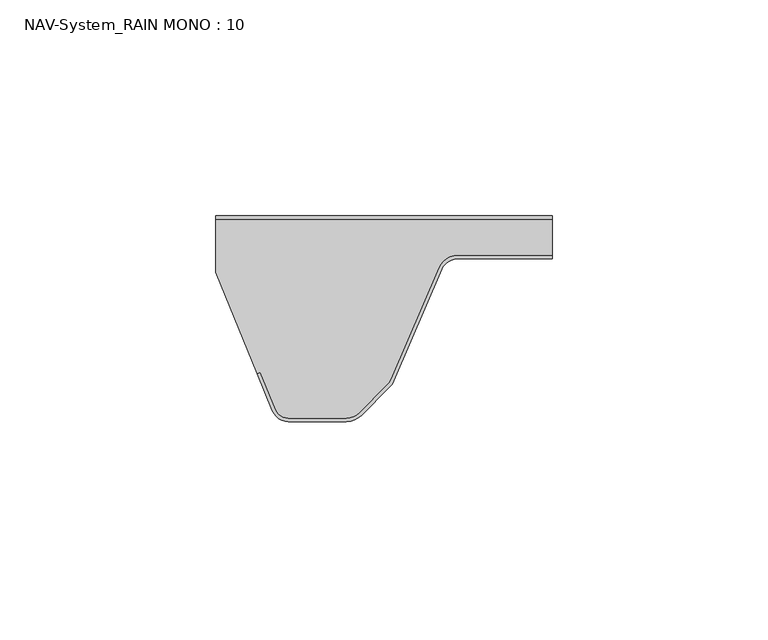
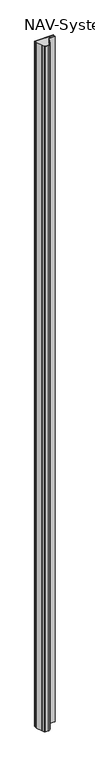
"""IFC4 building model written with IfcOpenShell, lengths in millimetres: plate geometry, NAV-System_RAIN MONO : 10."""

from ifc_helpers import new_model, si_unit, point, frame_2d, origin, origin_with_axes, place, context, project, spatial, polyline, circle_curve, trimmed, segment, composite_curve, outline, extrude, source, transform, mapped, element, save


def nav_system_rain_mono_10_e1600da2(model_context):
    return source(origin(), model_context, "Body", "SweptSolid", [
        extrude(outline(polyline([(-28.0, -0.8), (-28.0, 0.0), (50.0, 0.0), (50.0, -0.8), (-28.0, -0.8)])), origin_with_axes(), (0.0, 0.0, 1.0), 3000.0),
        extrude(outline(composite_curve([segment(trimmed(circle_curve(frame_2d((28.0709249, -14.0)), 4.8), [point((28.0709249, -9.2))], [point((23.6607271, -12.1052295))], True, "CARTESIAN"), True, "CONTINUOUS"), segment(polyline([(23.6607271, -12.1052295), (12.5754349, -37.9069459)]), True, "CONTINUOUS"), segment(trimmed(circle_curve(frame_2d((8.7165118, -36.2490217)), 4.2), [point((12.5754349, -37.9069459))], [point((11.6863603, -39.2188701))], False, "CARTESIAN"), True, "CONTINUOUS"), segment(polyline([(11.6863603, -39.2188701), (5.235382, -45.6698485)]), True, "CONTINUOUS"), segment(trimmed(circle_curve(frame_2d((2.2655335, -42.7)), 4.2), [point((5.235382, -45.6698485))], [point((2.2655335, -46.9))], False, "CARTESIAN"), True, "CONTINUOUS"), segment(polyline([(2.2655335, -46.9), (-11.1405186, -46.9)]), True, "CONTINUOUS"), segment(trimmed(circle_curve(frame_2d((-11.1405186, -43.7)), 3.2), [point((-11.1405186, -46.9))], [point((-14.1022482, -44.9116756))], False, "CARTESIAN"), True, "CONTINUOUS"), segment(polyline([(-14.1022482, -44.9116756), (-17.6292254, -36.2905951), (-18.3696578, -36.593514), (-28.0, -13.053822), (-28.0, -0.8), (50.0, -0.8), (50.0, -9.2), (28.0709249, -9.2)]), True, "CONTINUOUS")], self_intersect=False)), origin_with_axes(), (0.0, 0.0, 1.0), 3000.0),
        extrude(outline(composite_curve([segment(polyline([(-14.8430228, -45.2145945), (-18.37, -36.593514), (-17.6295676, -36.2905951), (-14.1025904, -44.9116756)]), True, "CONTINUOUS"), segment(trimmed(circle_curve(frame_2d((-11.1408608, -43.7)), 3.2), [point((-14.1025904, -44.9116756))], [point((-11.1408608, -46.9))], True, "CARTESIAN"), True, "CONTINUOUS"), segment(polyline([(-11.1408608, -46.9), (2.2651913, -46.9)]), True, "CONTINUOUS"), segment(trimmed(circle_curve(frame_2d((2.2651913, -42.7)), 4.2), [point((2.2651913, -46.9))], [point((5.2350397, -45.6698485))], True, "CARTESIAN"), True, "CONTINUOUS"), segment(polyline([(5.2350397, -45.6698485), (11.6860181, -39.2188701)]), True, "CONTINUOUS"), segment(trimmed(circle_curve(frame_2d((8.7161696, -36.2490217)), 4.2), [point((11.6860181, -39.2188701))], [point((12.5750927, -37.9069459))], True, "CARTESIAN"), True, "CONTINUOUS"), segment(polyline([(12.5750927, -37.9069459), (23.6603849, -12.1052295)]), True, "CONTINUOUS"), segment(trimmed(circle_curve(frame_2d((28.0705827, -14.0)), 4.8), [point((23.6603849, -12.1052295))], [point((28.0705827, -9.2))], False, "CARTESIAN"), True, "CONTINUOUS"), segment(polyline([(28.0705827, -9.2), (50.0, -9.2), (50.0, -10.0), (28.0705827, -10.0)]), True, "CONTINUOUS"), segment(trimmed(circle_curve(frame_2d((28.0705827, -14.0)), 4.0), [point((28.0705827, -10.0))], [point((24.3954178, -12.4210246))], True, "CARTESIAN"), True, "CONTINUOUS"), segment(polyline([(24.3954178, -12.4210246), (13.3101256, -38.2227409)]), True, "CONTINUOUS"), segment(trimmed(circle_curve(frame_2d((8.7161696, -36.2490217)), 5.0), [point((13.3101256, -38.2227409))], [point((12.2517035, -39.7845556))], False, "CARTESIAN"), True, "CONTINUOUS"), segment(polyline([(12.2517035, -39.7845556), (5.8007252, -46.2355339)]), True, "CONTINUOUS"), segment(trimmed(circle_curve(frame_2d((2.2651913, -42.7)), 5.0), [point((5.8007252, -46.2355339))], [point((2.2651913, -47.7))], False, "CARTESIAN"), True, "CONTINUOUS"), segment(polyline([(2.2651913, -47.7), (-11.1408608, -47.7)]), True, "CONTINUOUS"), segment(trimmed(circle_curve(frame_2d((-11.1408608, -43.7)), 4.0), [point((-11.1408608, -47.7))], [point((-14.8430228, -45.2145945))], False, "CARTESIAN"), True, "CONTINUOUS")], self_intersect=False)), origin_with_axes(), (0.0, 0.0, 1.0), 3000.0),
    ])


if __name__ == "__main__":
    model = new_model("IFC4")
    model_context = context("Model", 3, world=origin())
    ifc_project = project(units=[si_unit("LENGTHUNIT", "METRE", prefix="MILLI")], contexts=[model_context])
    site = spatial("IfcSite", under=ifc_project)
    building = spatial("IfcBuilding", under=site)
    placement = place(None, origin())
    nav_system_rain_mono_10_shape = nav_system_rain_mono_10_e1600da2(model_context)
    element("IfcPlate", 1, ObjectType="NAV-System_RAIN MONO : 10", at=placement, inside=building, context=model_context, shape_type="MappedRepresentation", body=[
        mapped(nav_system_rain_mono_10_shape, transform((0.0, 0.0, 0.0), x_axis=(1.0, 0.0, 0.0), y_axis=(0.0, 1.0, 0.0), z_axis=(0.0, 0.0, 1.0))),
    ])
    save(model, "model.ifc")
